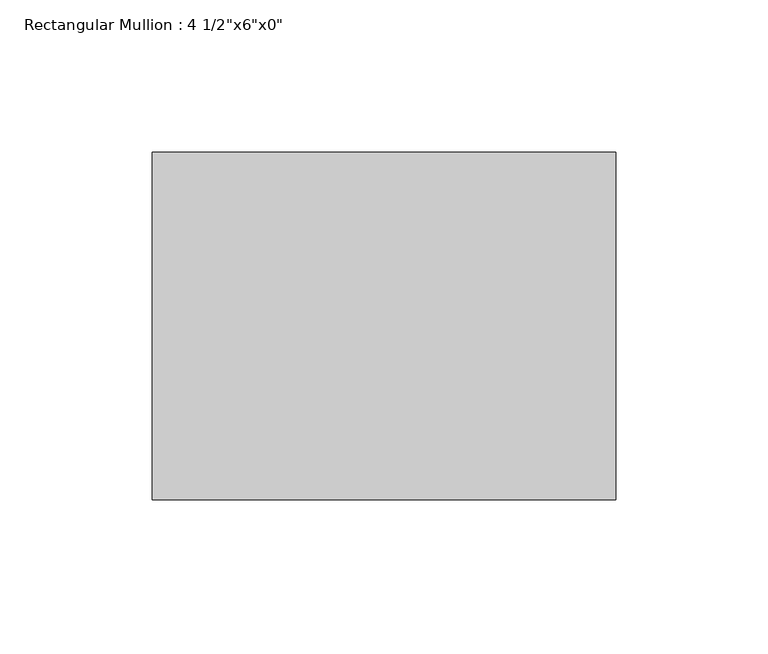
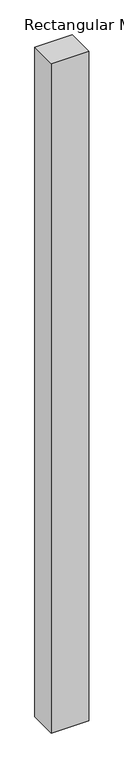
"""IFC4 building model written with IfcOpenShell, lengths in millimetres: member geometry."""

from ifc_helpers import new_model, si_unit, frame, origin, place, context, project, spatial, polyline, outline, extrude, source, transform, mapped, element, save


def member_4296b6cb(model_context):
    return source(origin(), model_context, "Body", "SweptSolid", [
        extrude(outline(polyline([(0.0, 57.15), (0.0, -57.15), (-152.4, -57.15), (-152.4, 57.15), (0.0, 57.15)])), frame((0.0, 0.0, -2870.2), z_axis=(0.0, 0.0, 1.0), x_axis=(1.0, 0.0, 0.0)), (0.0, 0.0, 1.0), 2870.2),
    ])


if __name__ == "__main__":
    model = new_model("IFC4")
    model_context = context("Model", 3, world=origin())
    ifc_project = project(units=[si_unit("LENGTHUNIT", "METRE", prefix="MILLI")], contexts=[model_context])
    site = spatial("IfcSite", under=ifc_project)
    building = spatial("IfcBuilding", under=site)
    placement = place(None, origin())
    member_shape = member_4296b6cb(model_context)
    element("IfcMember", 1, ObjectType="Rectangular Mullion : 4 1/2\"x6\"x0\"", at=placement, inside=building, context=model_context, shape_type="MappedRepresentation", body=[
        mapped(member_shape, transform((0.0, 0.0, 0.0), x_axis=(1.0, 0.0, 0.0), y_axis=(0.0, 1.0, 0.0), z_axis=(0.0, 0.0, 1.0))),
    ])
    save(model, "model.ifc")
